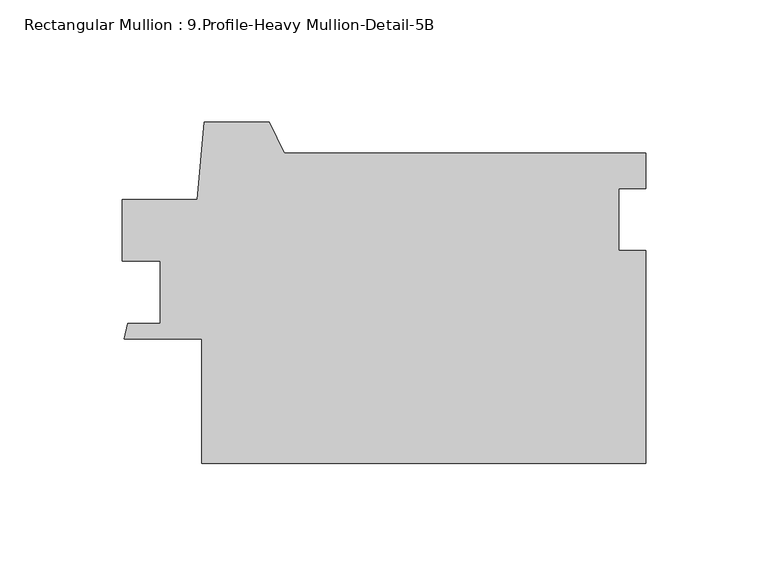
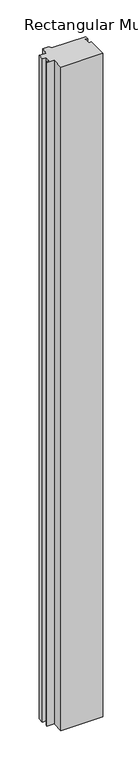
"""IFC4 building model written with IfcOpenShell, lengths in millimetres: member geometry, Rectangular Mullion : 9.Profile-Heavy Mullion-Detail-5B."""

import ifcopenshell
import ifcopenshell.guid

model = None  # the IFC model being written
_history = None  # IfcOwnerHistory: only IFC2X3 demands one
_inside = {}  # id of a spatial element -> (the spatial element, [elements in it])
_under = {}  # id of a project, library or spatial element -> (it, [spatial elements below it])
_declared = {}  # id of a project -> (the project, [libraries it declares])
_typed = {}  # id of a type object -> (the type object, [elements of that type])
_made_of = {}  # id of a material, layer set ... -> (it, [elements and type objects made of it])


def new_model(schema):
    """Start an empty IFC model of exactly this schema.

    Asked for "IFC4X3", IfcOpenShell would pick the latest addendum, in which some entities
    have other attributes; the version numbers below select the first issue.
    IFC2X3 requires an IfcOwnerHistory on every rooted entity: one is made here for all.
    """
    global model, _history
    if schema == "IFC4X3":
        model = ifcopenshell.file(schema_version=(4, 3, 0, 0))
    else:
        model = ifcopenshell.file(schema=schema)
    _inside.clear()
    _under.clear()
    _declared.clear()
    _typed.clear()
    _made_of.clear()
    _history = None
    if model.schema == "IFC2X3":
        org = make("IfcOrganization", Name="unknown")
        user = make(
            "IfcPersonAndOrganization",
            ThePerson=make("IfcPerson", FamilyName="unknown"),
            TheOrganization=org,
        )
        app = make(
            "IfcApplication",
            ApplicationDeveloper=org,
            Version="unknown",
            ApplicationFullName="unknown",
            ApplicationIdentifier="unknown",
        )
        _history = make(
            "IfcOwnerHistory",
            OwningUser=user,
            OwningApplication=app,
            ChangeAction="ADDED",
            CreationDate=0,
        )
    return model


def make(cls, **values):
    """One entity of the class cls with the attributes given. An attribute that is None is left unset."""
    return model.create_entity(
        cls, **{name: value for name, value in values.items() if value is not None}
    )


def rooted(cls, **values):
    """An entity with a GlobalId (a new one), such as an element, a storey or a relation."""
    return make(cls, GlobalId=ifcopenshell.guid.new(), OwnerHistory=_history, **values)


def si_unit(unit_type, name, prefix=None):
    """IfcSIUnit, for example si_unit("LENGTHUNIT", "METRE", prefix="MILLI")."""
    return make("IfcSIUnit", UnitType=unit_type, Prefix=prefix, Name=name)


def assignment(units):
    """IfcUnitAssignment: the units of a project."""
    return None if units is None else make("IfcUnitAssignment", Units=units)


def point(xyz):
    """IfcCartesianPoint."""
    return None if xyz is None else make("IfcCartesianPoint", Coordinates=xyz)


def direction(xyz):
    """IfcDirection."""
    return None if xyz is None else make("IfcDirection", DirectionRatios=xyz)


def frame(location, z_axis=None, x_axis=None):
    """IfcAxis2Placement3D, a coordinate frame: its origin and axes. An axis left out is left unset."""
    return make(
        "IfcAxis2Placement3D",
        Location=point(location),
        Axis=direction(z_axis),
        RefDirection=direction(x_axis),
    )


def origin():
    """The frame at (0, 0, 0) with its axes left unset."""
    return frame((0.0, 0.0, 0.0))


def place(relative_to, where):
    """IfcLocalPlacement: puts the frame where relative to a parent placement (None: the world)."""
    return make(
        "IfcLocalPlacement", PlacementRelTo=relative_to, RelativePlacement=where
    )


def context(
    kind, dimensions, precision=None, world=None, true_north=None, identifier=None
):
    """IfcGeometricRepresentationContext, for example the 3D "Model" context."""
    return make(
        "IfcGeometricRepresentationContext",
        ContextIdentifier=identifier,
        ContextType=kind,
        CoordinateSpaceDimension=dimensions,
        Precision=precision,
        WorldCoordinateSystem=world,
        TrueNorth=true_north,
    )


def project(units=None, contexts=None):
    """IfcProject with its units and contexts."""
    return rooted(
        "IfcProject",
        Name="project",
        RepresentationContexts=contexts,
        UnitsInContext=assignment(units),
    )


def spatial(cls, under=None, at=None, **own):
    """A site, building, storey or space (cls), placed at a placement, below another one or the project."""
    s = rooted(cls, ObjectPlacement=at, **own)
    if under is not None:
        _under.setdefault(under.id(), (under, []))[1].append(s)
    return s


def polyline(points):
    """IfcPolyline through the points."""
    return make("IfcPolyline", Points=[point(p) for p in points])


def outline(outer, holes=None, kind="AREA"):
    """IfcArbitraryClosedProfileDef: a profile drawn as a closed curve; with holes, ...WithVoids."""
    if holes is None:
        return make("IfcArbitraryClosedProfileDef", ProfileType=kind, OuterCurve=outer)
    return make(
        "IfcArbitraryProfileDefWithVoids",
        ProfileType=kind,
        OuterCurve=outer,
        InnerCurves=holes,
    )


def extrude(swept, where, along, depth):
    """IfcExtrudedAreaSolid: the profile swept, set in the frame where, extruded along a direction by depth."""
    return make(
        "IfcExtrudedAreaSolid",
        SweptArea=swept,
        Position=where,
        ExtrudedDirection=direction(along),
        Depth=depth,
    )


def shape(context_of_items, identifier, shape_type, items):
    """IfcShapeRepresentation: the items that make up one representation, for example the "Body"."""
    return make(
        "IfcShapeRepresentation",
        ContextOfItems=context_of_items,
        RepresentationIdentifier=identifier,
        RepresentationType=shape_type,
        Items=items,
    )


def source(mapping_origin, context_of_items, identifier, shape_type, items):
    """IfcRepresentationMap: a shape defined once, which mapped items show again and again."""
    return make(
        "IfcRepresentationMap",
        MappingOrigin=mapping_origin,
        MappedRepresentation=shape(context_of_items, identifier, shape_type, items),
    )


def transform(
    local_origin,
    x_axis=None,
    y_axis=None,
    z_axis=None,
    scale=None,
    scale2=None,
    scale3=None,
    uniform=True,
):
    """IfcCartesianTransformationOperator3D, or its non-uniform kind. x_axis, y_axis, z_axis: its Axis1, 2, 3."""
    if uniform:
        return make(
            "IfcCartesianTransformationOperator3D",
            Axis1=direction(x_axis),
            Axis2=direction(y_axis),
            LocalOrigin=point(local_origin),
            Scale=scale,
            Axis3=direction(z_axis),
        )
    return make(
        "IfcCartesianTransformationOperator3DnonUniform",
        Axis1=direction(x_axis),
        Axis2=direction(y_axis),
        LocalOrigin=point(local_origin),
        Scale=scale,
        Axis3=direction(z_axis),
        Scale2=scale2,
        Scale3=scale3,
    )


def mapped(mapping_source, mapping_target):
    """IfcMappedItem: shows the shape of a source again, moved by a transform."""
    return make(
        "IfcMappedItem", MappingSource=mapping_source, MappingTarget=mapping_target
    )


def made_of(thing, what):
    """Note that an element or type object is made of a material, layer set ...; save() writes the relation."""
    if what is not None:
        _made_of.setdefault(what.id(), (what, []))[1].append(thing)
    return thing


def element(
    cls,
    number,
    at=None,
    inside=None,
    cuts=None,
    type_object=None,
    material=None,
    context=None,
    identifier="Body",
    shape_type=None,
    held_by="IfcProductDefinitionShape",
    body=None,
    shapes=None,
    **own,
):
    """One element of the class cls, such as IfcWall. Its Tag is "e" and its number.

    at: its placement. inside: the storey or other place that contains it. cuts: it is an
    opening in that element (IfcRelVoidsElement). A single representation is given by context,
    identifier, shape_type and body (its items); several are given by shapes. held_by: the class
    of the entity that holds the representations. save() writes the other relations.
    """
    e = rooted(cls, Tag="e%d" % number, ObjectPlacement=at, **own)
    if body is not None:
        shapes = [shape(context, identifier, shape_type, body)]
    if shapes is not None:
        e.Representation = make(held_by, Representations=shapes)
    if inside is not None:
        _inside.setdefault(inside.id(), (inside, []))[1].append(e)
    if cuts is not None:
        rooted(
            "IfcRelVoidsElement", RelatingBuildingElement=cuts, RelatedOpeningElement=e
        )
    if type_object is not None:
        _typed.setdefault(type_object.id(), (type_object, []))[1].append(e)
    return made_of(e, material)


def aggregate(whole, parts):
    """IfcRelAggregates: a whole, such as a stair, and the parts it consists of."""
    return rooted("IfcRelAggregates", RelatingObject=whole, RelatedObjects=parts)


def save(model, path):
    """Write the relations noted so far, then the file.

    IfcRelAggregates (storeys below a building ...), IfcRelContainedInSpatialStructure (elements
    in a storey), IfcRelDefinesByType, IfcRelAssociatesMaterial and IfcRelDeclares: one each for
    every whole, place, type object, material and project.
    """
    for whole, parts in _under.values():
        aggregate(whole, parts)
    for where, things in _inside.values():
        rooted(
            "IfcRelContainedInSpatialStructure",
            RelatedElements=things,
            RelatingStructure=where,
        )
    for kind, things in _typed.values():
        rooted("IfcRelDefinesByType", RelatedObjects=things, RelatingType=kind)
    for what, things in _made_of.values():
        rooted("IfcRelAssociatesMaterial", RelatedObjects=things, RelatingMaterial=what)
    for by, libraries in _declared.values():
        rooted("IfcRelDeclares", RelatingContext=by, RelatedDefinitions=libraries)
    model.write(path)


def rectangular_mullion_9_profile_heavy_mullion_detail_5b_1d950eda(model_context):
    return source(origin(), model_context, "Body", "SweptSolid", [
        extrude(outline(polyline([(-183.518181, 48.6274153), (-180.6814227, 80.3774153), (-154.1904509, 80.3774153), (-147.9874062, 67.6685054), (0.0, 67.6685054), (0.0, 53.1649804), (-11.1125, 53.1649804), (-11.1125, 27.7211791), (0.0, 27.7211791), (0.0, -59.3314946), (-181.7778106, -59.3314946), (-181.7778106, -8.5225847), (-213.5278106, -8.5225847), (-212.0224031, -2.131259), (-198.6811813, -2.131259), (-198.6811813, 23.4433151), (-214.3021813, 23.4433151), (-214.3021813, 48.6274153), (-183.518181, 48.6274153)])), frame((0.0, 0.0, -3048.0), z_axis=(0.0, 0.0, 1.0), x_axis=(1.0, 0.0, 0.0)), (0.0, 0.0, 1.0), 3048.0),
    ])


if __name__ == "__main__":
    model = new_model("IFC4")
    model_context = context("Model", 3, world=origin())
    ifc_project = project(units=[si_unit("LENGTHUNIT", "METRE", prefix="MILLI")], contexts=[model_context])
    site = spatial("IfcSite", under=ifc_project)
    building = spatial("IfcBuilding", under=site)
    placement = place(None, origin())
    rectangular_mullion_9_profile_heavy_mullion_detail_5b_shape = rectangular_mullion_9_profile_heavy_mullion_detail_5b_1d950eda(model_context)
    element("IfcMember", 1, ObjectType="Rectangular Mullion : 9.Profile-Heavy Mullion-Detail-5B", at=placement, inside=building, context=model_context, shape_type="MappedRepresentation", body=[
        mapped(rectangular_mullion_9_profile_heavy_mullion_detail_5b_shape, transform((0.0, 0.0, 0.0), x_axis=(1.0, 0.0, 0.0), y_axis=(0.0, 1.0, 0.0), z_axis=(0.0, 0.0, 1.0))),
    ])
    save(model, "model.ifc")
